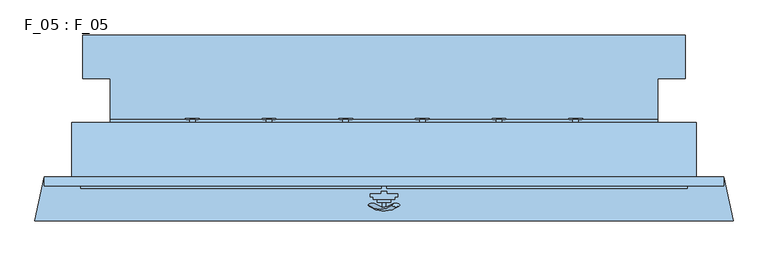
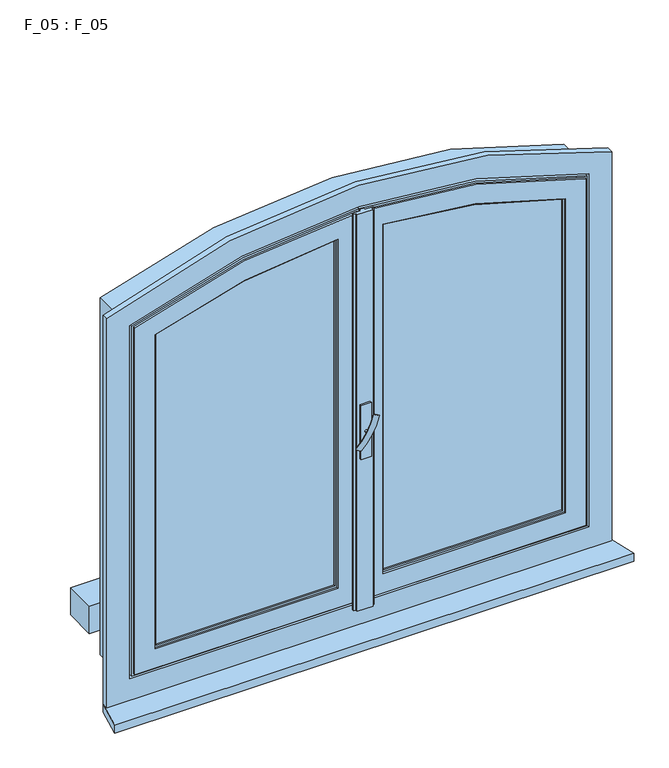
"""IFC4 building model written with IfcOpenShell, lengths in millimetres: window geometry, F_05 : F_05."""

import ifcopenshell
import ifcopenshell.guid

model = None  # the IFC model being written
_history = None  # IfcOwnerHistory: only IFC2X3 demands one
_inside = {}  # id of a spatial element -> (the spatial element, [elements in it])
_under = {}  # id of a project, library or spatial element -> (it, [spatial elements below it])
_declared = {}  # id of a project -> (the project, [libraries it declares])
_typed = {}  # id of a type object -> (the type object, [elements of that type])
_made_of = {}  # id of a material, layer set ... -> (it, [elements and type objects made of it])


def new_model(schema):
    """Start an empty IFC model of exactly this schema.

    Asked for "IFC4X3", IfcOpenShell would pick the latest addendum, in which some entities
    have other attributes; the version numbers below select the first issue.
    IFC2X3 requires an IfcOwnerHistory on every rooted entity: one is made here for all.
    """
    global model, _history
    if schema == "IFC4X3":
        model = ifcopenshell.file(schema_version=(4, 3, 0, 0))
    else:
        model = ifcopenshell.file(schema=schema)
    _inside.clear()
    _under.clear()
    _declared.clear()
    _typed.clear()
    _made_of.clear()
    _history = None
    if model.schema == "IFC2X3":
        org = make("IfcOrganization", Name="unknown")
        user = make(
            "IfcPersonAndOrganization",
            ThePerson=make("IfcPerson", FamilyName="unknown"),
            TheOrganization=org,
        )
        app = make(
            "IfcApplication",
            ApplicationDeveloper=org,
            Version="unknown",
            ApplicationFullName="unknown",
            ApplicationIdentifier="unknown",
        )
        _history = make(
            "IfcOwnerHistory",
            OwningUser=user,
            OwningApplication=app,
            ChangeAction="ADDED",
            CreationDate=0,
        )
    return model


def make(cls, **values):
    """One entity of the class cls with the attributes given. An attribute that is None is left unset."""
    return model.create_entity(
        cls, **{name: value for name, value in values.items() if value is not None}
    )


def rooted(cls, **values):
    """An entity with a GlobalId (a new one), such as an element, a storey or a relation."""
    return make(cls, GlobalId=ifcopenshell.guid.new(), OwnerHistory=_history, **values)


def si_unit(unit_type, name, prefix=None):
    """IfcSIUnit, for example si_unit("LENGTHUNIT", "METRE", prefix="MILLI")."""
    return make("IfcSIUnit", UnitType=unit_type, Prefix=prefix, Name=name)


def assignment(units):
    """IfcUnitAssignment: the units of a project."""
    return None if units is None else make("IfcUnitAssignment", Units=units)


def point(xyz):
    """IfcCartesianPoint."""
    return None if xyz is None else make("IfcCartesianPoint", Coordinates=xyz)


def direction(xyz):
    """IfcDirection."""
    return None if xyz is None else make("IfcDirection", DirectionRatios=xyz)


def frame(location, z_axis=None, x_axis=None):
    """IfcAxis2Placement3D, a coordinate frame: its origin and axes. An axis left out is left unset."""
    return make(
        "IfcAxis2Placement3D",
        Location=point(location),
        Axis=direction(z_axis),
        RefDirection=direction(x_axis),
    )


def frame_2d(location, x_axis=None):
    """IfcAxis2Placement2D, a coordinate frame in the plane: its origin and x axis."""
    return make(
        "IfcAxis2Placement2D", Location=point(location), RefDirection=direction(x_axis)
    )


def origin():
    """The frame at (0, 0, 0) with its axes left unset."""
    return frame((0.0, 0.0, 0.0))


def place(relative_to, where):
    """IfcLocalPlacement: puts the frame where relative to a parent placement (None: the world)."""
    return make(
        "IfcLocalPlacement", PlacementRelTo=relative_to, RelativePlacement=where
    )


def context(
    kind, dimensions, precision=None, world=None, true_north=None, identifier=None
):
    """IfcGeometricRepresentationContext, for example the 3D "Model" context."""
    return make(
        "IfcGeometricRepresentationContext",
        ContextIdentifier=identifier,
        ContextType=kind,
        CoordinateSpaceDimension=dimensions,
        Precision=precision,
        WorldCoordinateSystem=world,
        TrueNorth=true_north,
    )


def project(units=None, contexts=None):
    """IfcProject with its units and contexts."""
    return rooted(
        "IfcProject",
        Name="project",
        RepresentationContexts=contexts,
        UnitsInContext=assignment(units),
    )


def spatial(cls, under=None, at=None, **own):
    """A site, building, storey or space (cls), placed at a placement, below another one or the project."""
    s = rooted(cls, ObjectPlacement=at, **own)
    if under is not None:
        _under.setdefault(under.id(), (under, []))[1].append(s)
    return s


def polyline(points):
    """IfcPolyline through the points."""
    return make("IfcPolyline", Points=[point(p) for p in points])


def circle_curve(where, radius):
    """IfcCircle in the frame where."""
    return make("IfcCircle", Position=where, Radius=radius)


def ellipse_curve(where, semi_axis1, semi_axis2):
    """IfcEllipse in the frame where."""
    return make(
        "IfcEllipse", Position=where, SemiAxis1=semi_axis1, SemiAxis2=semi_axis2
    )


def trimmed(basis, trim1, trim2, sense, master):
    """IfcTrimmedCurve: the piece of a basis curve between two trims."""
    return make(
        "IfcTrimmedCurve",
        BasisCurve=basis,
        Trim1=trim1,
        Trim2=trim2,
        SenseAgreement=sense,
        MasterRepresentation=master,
    )


def segment(curve, same_sense, transition):
    """IfcCompositeCurveSegment."""
    return make(
        "IfcCompositeCurveSegment",
        Transition=transition,
        SameSense=same_sense,
        ParentCurve=curve,
    )


def composite_curve(segments, self_intersect=None):
    """IfcCompositeCurve: segments joined end to end."""
    return make("IfcCompositeCurve", Segments=segments, SelfIntersect=self_intersect)


def outline(outer, holes=None, kind="AREA"):
    """IfcArbitraryClosedProfileDef: a profile drawn as a closed curve; with holes, ...WithVoids."""
    if holes is None:
        return make("IfcArbitraryClosedProfileDef", ProfileType=kind, OuterCurve=outer)
    return make(
        "IfcArbitraryProfileDefWithVoids",
        ProfileType=kind,
        OuterCurve=outer,
        InnerCurves=holes,
    )


def extrude(swept, where, along, depth):
    """IfcExtrudedAreaSolid: the profile swept, set in the frame where, extruded along a direction by depth."""
    return make(
        "IfcExtrudedAreaSolid",
        SweptArea=swept,
        Position=where,
        ExtrudedDirection=direction(along),
        Depth=depth,
    )


def shape(context_of_items, identifier, shape_type, items):
    """IfcShapeRepresentation: the items that make up one representation, for example the "Body"."""
    return make(
        "IfcShapeRepresentation",
        ContextOfItems=context_of_items,
        RepresentationIdentifier=identifier,
        RepresentationType=shape_type,
        Items=items,
    )


def source(mapping_origin, context_of_items, identifier, shape_type, items):
    """IfcRepresentationMap: a shape defined once, which mapped items show again and again."""
    return make(
        "IfcRepresentationMap",
        MappingOrigin=mapping_origin,
        MappedRepresentation=shape(context_of_items, identifier, shape_type, items),
    )


def transform(
    local_origin,
    x_axis=None,
    y_axis=None,
    z_axis=None,
    scale=None,
    scale2=None,
    scale3=None,
    uniform=True,
):
    """IfcCartesianTransformationOperator3D, or its non-uniform kind. x_axis, y_axis, z_axis: its Axis1, 2, 3."""
    if uniform:
        return make(
            "IfcCartesianTransformationOperator3D",
            Axis1=direction(x_axis),
            Axis2=direction(y_axis),
            LocalOrigin=point(local_origin),
            Scale=scale,
            Axis3=direction(z_axis),
        )
    return make(
        "IfcCartesianTransformationOperator3DnonUniform",
        Axis1=direction(x_axis),
        Axis2=direction(y_axis),
        LocalOrigin=point(local_origin),
        Scale=scale,
        Axis3=direction(z_axis),
        Scale2=scale2,
        Scale3=scale3,
    )


def mapped(mapping_source, mapping_target):
    """IfcMappedItem: shows the shape of a source again, moved by a transform."""
    return make(
        "IfcMappedItem", MappingSource=mapping_source, MappingTarget=mapping_target
    )


def made_of(thing, what):
    """Note that an element or type object is made of a material, layer set ...; save() writes the relation."""
    if what is not None:
        _made_of.setdefault(what.id(), (what, []))[1].append(thing)
    return thing


def element(
    cls,
    number,
    at=None,
    inside=None,
    cuts=None,
    type_object=None,
    material=None,
    context=None,
    identifier="Body",
    shape_type=None,
    held_by="IfcProductDefinitionShape",
    body=None,
    shapes=None,
    **own,
):
    """One element of the class cls, such as IfcWall. Its Tag is "e" and its number.

    at: its placement. inside: the storey or other place that contains it. cuts: it is an
    opening in that element (IfcRelVoidsElement). A single representation is given by context,
    identifier, shape_type and body (its items); several are given by shapes. held_by: the class
    of the entity that holds the representations. save() writes the other relations.
    """
    e = rooted(cls, Tag="e%d" % number, ObjectPlacement=at, **own)
    if body is not None:
        shapes = [shape(context, identifier, shape_type, body)]
    if shapes is not None:
        e.Representation = make(held_by, Representations=shapes)
    if inside is not None:
        _inside.setdefault(inside.id(), (inside, []))[1].append(e)
    if cuts is not None:
        rooted(
            "IfcRelVoidsElement", RelatingBuildingElement=cuts, RelatedOpeningElement=e
        )
    if type_object is not None:
        _typed.setdefault(type_object.id(), (type_object, []))[1].append(e)
    return made_of(e, material)


def aggregate(whole, parts):
    """IfcRelAggregates: a whole, such as a stair, and the parts it consists of."""
    return rooted("IfcRelAggregates", RelatingObject=whole, RelatedObjects=parts)


def save(model, path):
    """Write the relations noted so far, then the file.

    IfcRelAggregates (storeys below a building ...), IfcRelContainedInSpatialStructure (elements
    in a storey), IfcRelDefinesByType, IfcRelAssociatesMaterial and IfcRelDeclares: one each for
    every whole, place, type object, material and project.
    """
    for whole, parts in _under.values():
        aggregate(whole, parts)
    for where, things in _inside.values():
        rooted(
            "IfcRelContainedInSpatialStructure",
            RelatedElements=things,
            RelatingStructure=where,
        )
    for kind, things in _typed.values():
        rooted("IfcRelDefinesByType", RelatedObjects=things, RelatingType=kind)
    for what, things in _made_of.values():
        rooted("IfcRelAssociatesMaterial", RelatedObjects=things, RelatingMaterial=what)
    for by, libraries in _declared.values():
        rooted("IfcRelDeclares", RelatingContext=by, RelatedDefinitions=libraries)
    model.write(path)


def plane_surface(at):
    """IfcPlane: the flat surface through the origin of the frame at, square to its z axis."""
    return make("IfcPlane", Position=at)


def cylinder_surface(at, radius):
    """IfcCylindricalSurface: all points at the distance radius from the z axis of the frame at."""
    return make("IfcCylindricalSurface", Position=at, Radius=radius)


def revolved_surface(curve, axis_point, axis_direction):
    """IfcSurfaceOfRevolution: the curve turned about the line through axis_point along axis_direction."""
    return make(
        "IfcSurfaceOfRevolution",
        SweptCurve=make("IfcArbitraryOpenProfileDef", ProfileType="CURVE", Curve=curve),
        AxisPosition=make("IfcAxis1Placement", Location=point(axis_point), Axis=direction(axis_direction)),
    )


def advanced_brep(points, edges, surfaces, faces):
    """IfcAdvancedBrep: a solid bounded by faces that lie on surfaces and meet in shared edges.

    An edge is (start, end): straight between two places in points (the first is 0);
    or (start, end, curve); or (start, end, curve, False) where it runs against its curve.
    A face is (place in surfaces, loops), or (place, loops, False) where it looks against
    its surface's normal. A loop lists edges by number (the first is 1), with a minus sign
    where the edge is run from its end to its start. The first loop is the outer one.
    """
    corners = [point(p) for p in points]
    vertices = [make("IfcVertexPoint", VertexGeometry=c) for c in corners]
    made = []
    for start, end, *more in edges:
        made.append(
            make(
                "IfcEdgeCurve",
                EdgeStart=vertices[start],
                EdgeEnd=vertices[end],
                EdgeGeometry=more[0] if more else make("IfcPolyline", Points=[corners[start], corners[end]]),
                SameSense=more[1] if len(more) > 1 else True,
            )
        )
    hull = []
    for where, loops, *sense in faces:
        bounds = []
        for j, loop in enumerate(loops):
            ring = [make("IfcOrientedEdge", EdgeElement=made[abs(k) - 1], Orientation=k > 0) for k in loop]
            bounds.append(
                make(
                    "IfcFaceOuterBound" if j == 0 else "IfcFaceBound",
                    Bound=make("IfcEdgeLoop", EdgeList=ring),
                    Orientation=True,
                )
            )
        hull.append(make("IfcAdvancedFace", Bounds=bounds, FaceSurface=surfaces[where], SameSense=sense[0] if sense else True))
    return make("IfcAdvancedBrep", Outer=make("IfcClosedShell", CfsFaces=hull))


def f_05_f_05_b8606e47(model_context):
    return source(origin(), model_context, "Body", "SolidModel", [
        advanced_brep(
        [(-28.5497704, 58.7712276, 1637.2483361), (-14.693364, 58.7712276, 1629.2483361), (14.693364, 58.7712276, 1712.147642), (28.5497704, 58.7712276, 1704.147642)],
        [
            (0, 1, ellipse_curve(frame((-21.6215672, 58.7712276, 1633.2483361), z_axis=(-0.46984631039295827, 0.3420201433256777, -0.8137976813493676), x_axis=(0.8660254037844349, 0.0, -0.5000000000000066)), 8.0, 3.5)),
            (1, 0, ellipse_curve(frame((-21.6215672, 58.7712276, 1633.2483361), z_axis=(-0.46984631039295827, 0.3420201433256777, -0.8137976813493676), x_axis=(0.8660254037844349, 0.0, -0.5000000000000066)), 8.0, 3.5)),
            (2, 3, ellipse_curve(frame((21.6215672, 58.7712276, 1708.147642), z_axis=(0.46984631039296154, 0.3420201433256599, 0.8137976813493732), x_axis=(0.8660254037844355, 0.0, -0.5000000000000056)), 8.0, 3.5)),
            (3, 2, ellipse_curve(frame((21.6215672, 58.7712276, 1708.147642), z_axis=(0.46984631039296154, 0.3420201433256599, 0.8137976813493732), x_axis=(0.8660254037844355, 0.0, -0.5000000000000056)), 8.0, 3.5)),
            (3, 1, circle_curve(frame((6.9282032, 177.580763, 1666.6979891), z_axis=(0.8660254037844353, 0.0, -0.500000000000006), x_axis=(-0.1710100716628409, -0.9396926207859051, -0.29619813272603046)), 126.4344667)),
            (0, 2, circle_curve(frame((-6.9282032, 177.580763, 1674.6979891), z_axis=(-0.8660254037844353, 0.0, 0.500000000000006), x_axis=(-0.1710100716628409, -0.9396926207859051, -0.29619813272603046)), 126.4344667)),
        ],
        [
            plane_surface(frame((40.0926994, 61.4528319, 1598.7446033), z_axis=(-0.4698463103929582, 0.34202014332567776, -0.8137976813493677), x_axis=(-0.8660254037844352, 0.0, 0.500000000000006))),
            plane_surface(frame((82.3598097, 61.4528319, 1671.9533858), z_axis=(0.4698463103929615, 0.34202014332565983, 0.8137976813493734), x_axis=(-0.8660254037844352, 0.0, 0.500000000000006))),
            revolved_surface(trimmed(ellipse_curve(frame((-21.6215672, 58.7712276, 1633.2483361), z_axis=(-0.46984631039295827, 0.3420201433256777, -0.8137976813493676), x_axis=(0.8660254037844349, 0.0, -0.5000000000000066)), 8.0, 3.5), [point((-28.5497704, 58.7712276, 1637.2483361))], [point((-14.693364, 58.7712276, 1629.2483361))], True, "CARTESIAN"), (61.2262546, 177.580763, 1635.3489945), (-0.8660254037844353, 0.0, 0.500000000000006)),
            revolved_surface(trimmed(ellipse_curve(frame((-21.6215672, 58.7712276, 1633.2483361), z_axis=(-0.46984631039295827, 0.3420201433256777, -0.8137976813493676), x_axis=(0.8660254037844349, 0.0, -0.5000000000000066)), 8.0, 3.5), [point((-14.693364, 58.7712276, 1629.2483361))], [point((-28.5497704, 58.7712276, 1637.2483361))], True, "CARTESIAN"), (61.2262546, 177.580763, 1635.3489945), (-0.8660254037844353, 0.0, 0.500000000000006)),
        ],
        [
            (0, [[1, 2]]),
            (1, [[3, 4]]),
            (2, [[5, -1, 6, -4]]),
            (3, [[-6, -2, -5, -3]]),
        ],
    ),
        extrude(outline(composite_curve([segment(trimmed(circle_curve(frame_2d((1670.6979891, 0.0)), 3.5), [point((1670.6979891, -3.5))], [point((1670.6979891, 3.5))], False, "CARTESIAN"), True, "CONTINUOUS"), segment(trimmed(circle_curve(frame_2d((1670.6979891, 0.0)), 3.5), [point((1670.6979891, 3.5))], [point((1670.6979891, -3.5))], False, "CARTESIAN"), True, "CONTINUOUS")], self_intersect=False)), frame((0.0, 54.0, 0.0), z_axis=(0.0, 1.0, 0.0), x_axis=(0.0, 0.0, 1.0)), (0.0, 0.0, 1.0), 10.0),
        extrude(outline(polyline([(12.5, 64.0), (-12.5, 64.0), (-12.5, 69.0), (12.5, 69.0), (12.5, 64.0)])), frame((0.0, 0.0, 1600.0), z_axis=(0.0, 0.0, 1.0), x_axis=(1.0, 0.0, 0.0)), (0.0, 0.0, 1.0), 140.0),
        extrude(outline(polyline([(500.0, 190.0), (-500.0, 190.0), (-500.0, 290.0), (-550.0, 290.0), (-550.0, 370.0), (550.0, 370.0), (550.0, 290.0), (500.0, 290.0), (500.0, 190.0)])), frame((0.0, 0.0, 1200.0), z_axis=(0.0, 0.0, 1.0), x_axis=(1.0, 0.0, 0.0)), (0.0, 0.0, 1.0), 71.0),
        extrude(outline(polyline([(-620.0, 110.0), (620.0, 110.0), (637.5, 30.0), (-637.5, 30.0), (-620.0, 110.0)])), frame((0.0, 0.0, 1130.0), z_axis=(0.0, 0.0, 1.0), x_axis=(1.0, 0.0, 0.0)), (0.0, 0.0, 1.0), 20.0),
        extrude(outline(composite_curve([segment(trimmed(circle_curve(frame_2d((1441.0, 350.0)), 12.5), [point((1441.0, 337.5))], [point((1441.0, 362.5))], False, "CARTESIAN"), True, "CONTINUOUS"), segment(trimmed(circle_curve(frame_2d((1441.0, 350.0)), 12.5), [point((1441.0, 362.5))], [point((1441.0, 337.5))], False, "CARTESIAN"), True, "CONTINUOUS")], self_intersect=False)), frame((0.0, 215.0, 0.0), z_axis=(0.0, 1.0, 0.0), x_axis=(0.0, 0.0, 1.0)), (0.0, 0.0, 1.0), 2.0),
        extrude(outline(composite_curve([segment(trimmed(circle_curve(frame_2d((1441.0, 210.0)), 12.5), [point((1441.0, 197.5))], [point((1441.0, 222.5))], False, "CARTESIAN"), True, "CONTINUOUS"), segment(trimmed(circle_curve(frame_2d((1441.0, 210.0)), 12.5), [point((1441.0, 222.5))], [point((1441.0, 197.5))], False, "CARTESIAN"), True, "CONTINUOUS")], self_intersect=False)), frame((0.0, 215.0, 0.0), z_axis=(0.0, 1.0, 0.0), x_axis=(0.0, 0.0, 1.0)), (0.0, 0.0, 1.0), 2.0),
        extrude(outline(composite_curve([segment(trimmed(circle_curve(frame_2d((1441.0, 70.0)), 12.5), [point((1441.0, 57.5))], [point((1441.0, 82.5))], False, "CARTESIAN"), True, "CONTINUOUS"), segment(trimmed(circle_curve(frame_2d((1441.0, 70.0)), 12.5), [point((1441.0, 82.5))], [point((1441.0, 57.5))], False, "CARTESIAN"), True, "CONTINUOUS")], self_intersect=False)), frame((0.0, 215.0, 0.0), z_axis=(0.0, 1.0, 0.0), x_axis=(0.0, 0.0, 1.0)), (0.0, 0.0, 1.0), 2.0),
        extrude(outline(composite_curve([segment(trimmed(circle_curve(frame_2d((1441.0, -70.0)), 12.5), [point((1441.0, -82.5))], [point((1441.0, -57.5))], False, "CARTESIAN"), True, "CONTINUOUS"), segment(trimmed(circle_curve(frame_2d((1441.0, -70.0)), 12.5), [point((1441.0, -57.5))], [point((1441.0, -82.5))], False, "CARTESIAN"), True, "CONTINUOUS")], self_intersect=False)), frame((0.0, 215.0, 0.0), z_axis=(0.0, 1.0, 0.0), x_axis=(0.0, 0.0, 1.0)), (0.0, 0.0, 1.0), 2.0),
        extrude(outline(composite_curve([segment(trimmed(circle_curve(frame_2d((1441.0, -210.0)), 12.5), [point((1441.0, -222.5))], [point((1441.0, -197.5))], False, "CARTESIAN"), True, "CONTINUOUS"), segment(trimmed(circle_curve(frame_2d((1441.0, -210.0)), 12.5), [point((1441.0, -197.5))], [point((1441.0, -222.5))], False, "CARTESIAN"), True, "CONTINUOUS")], self_intersect=False)), frame((0.0, 215.0, 0.0), z_axis=(0.0, 1.0, 0.0), x_axis=(0.0, 0.0, 1.0)), (0.0, 0.0, 1.0), 2.0),
        extrude(outline(composite_curve([segment(trimmed(circle_curve(frame_2d((1441.0, -350.0)), 12.5), [point((1441.0, -362.5))], [point((1441.0, -337.5))], False, "CARTESIAN"), True, "CONTINUOUS"), segment(trimmed(circle_curve(frame_2d((1441.0, -350.0)), 12.5), [point((1441.0, -337.5))], [point((1441.0, -362.5))], False, "CARTESIAN"), True, "CONTINUOUS")], self_intersect=False)), frame((0.0, 215.0, 0.0), z_axis=(0.0, 1.0, 0.0), x_axis=(0.0, 0.0, 1.0)), (0.0, 0.0, 1.0), 2.0),
        extrude(outline(composite_curve([segment(trimmed(circle_curve(frame_2d((1601.0, 350.0)), 12.5), [point((1601.0, 337.5))], [point((1601.0, 362.5))], False, "CARTESIAN"), True, "CONTINUOUS"), segment(trimmed(circle_curve(frame_2d((1601.0, 350.0)), 12.5), [point((1601.0, 362.5))], [point((1601.0, 337.5))], False, "CARTESIAN"), True, "CONTINUOUS")], self_intersect=False)), frame((0.0, 215.0, 0.0), z_axis=(0.0, 1.0, 0.0), x_axis=(0.0, 0.0, 1.0)), (0.0, 0.0, 1.0), 2.0),
        extrude(outline(composite_curve([segment(trimmed(circle_curve(frame_2d((1601.0, 210.0)), 12.5), [point((1601.0, 197.5))], [point((1601.0, 222.5))], False, "CARTESIAN"), True, "CONTINUOUS"), segment(trimmed(circle_curve(frame_2d((1601.0, 210.0)), 12.5), [point((1601.0, 222.5))], [point((1601.0, 197.5))], False, "CARTESIAN"), True, "CONTINUOUS")], self_intersect=False)), frame((0.0, 215.0, 0.0), z_axis=(0.0, 1.0, 0.0), x_axis=(0.0, 0.0, 1.0)), (0.0, 0.0, 1.0), 2.0),
        extrude(outline(composite_curve([segment(trimmed(circle_curve(frame_2d((1601.0, 70.0)), 12.5), [point((1601.0, 57.5))], [point((1601.0, 82.5))], False, "CARTESIAN"), True, "CONTINUOUS"), segment(trimmed(circle_curve(frame_2d((1601.0, 70.0)), 12.5), [point((1601.0, 82.5))], [point((1601.0, 57.5))], False, "CARTESIAN"), True, "CONTINUOUS")], self_intersect=False)), frame((0.0, 215.0, 0.0), z_axis=(0.0, 1.0, 0.0), x_axis=(0.0, 0.0, 1.0)), (0.0, 0.0, 1.0), 2.0),
        extrude(outline(composite_curve([segment(trimmed(circle_curve(frame_2d((1601.0, -70.0)), 12.5), [point((1601.0, -82.5))], [point((1601.0, -57.5))], False, "CARTESIAN"), True, "CONTINUOUS"), segment(trimmed(circle_curve(frame_2d((1601.0, -70.0)), 12.5), [point((1601.0, -57.5))], [point((1601.0, -82.5))], False, "CARTESIAN"), True, "CONTINUOUS")], self_intersect=False)), frame((0.0, 215.0, 0.0), z_axis=(0.0, 1.0, 0.0), x_axis=(0.0, 0.0, 1.0)), (0.0, 0.0, 1.0), 2.0),
        extrude(outline(composite_curve([segment(trimmed(circle_curve(frame_2d((1601.0, -210.0)), 12.5), [point((1601.0, -222.5))], [point((1601.0, -197.5))], False, "CARTESIAN"), True, "CONTINUOUS"), segment(trimmed(circle_curve(frame_2d((1601.0, -210.0)), 12.5), [point((1601.0, -197.5))], [point((1601.0, -222.5))], False, "CARTESIAN"), True, "CONTINUOUS")], self_intersect=False)), frame((0.0, 215.0, 0.0), z_axis=(0.0, 1.0, 0.0), x_axis=(0.0, 0.0, 1.0)), (0.0, 0.0, 1.0), 2.0),
        extrude(outline(composite_curve([segment(trimmed(circle_curve(frame_2d((1601.0, -350.0)), 12.5), [point((1601.0, -362.5))], [point((1601.0, -337.5))], False, "CARTESIAN"), True, "CONTINUOUS"), segment(trimmed(circle_curve(frame_2d((1601.0, -350.0)), 12.5), [point((1601.0, -337.5))], [point((1601.0, -362.5))], False, "CARTESIAN"), True, "CONTINUOUS")], self_intersect=False)), frame((0.0, 215.0, 0.0), z_axis=(0.0, 1.0, 0.0), x_axis=(0.0, 0.0, 1.0)), (0.0, 0.0, 1.0), 2.0),
        extrude(outline(composite_curve([segment(polyline([(1606.0, 65.0), (1606.0, -65.0), (2127.1303147, -65.0)]), True, "CONTINUOUS"), segment(trimmed(circle_curve(frame_2d((742.432857, 0.0)), 1386.2222222), [point((2127.1303147, -65.0))], [point((2126.6246968, -75.0))], False, "CARTESIAN"), True, "CONTINUOUS"), segment(polyline([(2126.6246968, -75.0), (1606.0, -75.0), (1606.0, -205.0), (2113.4131812, -205.0)]), True, "CONTINUOUS"), segment(trimmed(circle_curve(frame_2d((742.432857, 0.0)), 1386.2222222), [point((2113.4131812, -205.0))], [point((2111.8805739, -215.0))], False, "CARTESIAN"), True, "CONTINUOUS"), segment(polyline([(2111.8805739, -215.0), (1606.0, -215.0), (1606.0, -345.0), (2085.0374337, -345.0)]), True, "CONTINUOUS"), segment(trimmed(circle_curve(frame_2d((742.432857, 0.0)), 1386.2222222), [point((2085.0374337, -345.0))], [point((2082.4280247, -355.0))], False, "CARTESIAN"), True, "CONTINUOUS"), segment(polyline([(2082.4280247, -355.0), (1606.0, -355.0), (1606.0, -500.0), (1596.0, -500.0), (1596.0, -355.0), (1446.0, -355.0), (1446.0, -500.0), (1436.0, -500.0), (1436.0, -355.0), (1271.0, -355.0), (1271.0, -345.0), (1436.0, -345.0), (1436.0, -215.0), (1271.0, -215.0), (1271.0, -205.0), (1436.0, -205.0), (1436.0, -75.0), (1271.0, -75.0), (1271.0, -65.0), (1436.0, -65.0), (1436.0, 65.0), (1271.0, 65.0), (1271.0, 75.0), (1436.0, 75.0), (1436.0, 205.0), (1271.0, 205.0), (1271.0, 215.0), (1436.0, 215.0), (1436.0, 345.0), (1271.0, 345.0), (1271.0, 355.0), (1436.0, 355.0), (1436.0, 500.0), (1446.0, 500.0), (1446.0, 355.0), (1596.0, 355.0), (1596.0, 500.0), (1606.0, 500.0), (1606.0, 355.0), (2082.4280247, 355.0)]), True, "CONTINUOUS"), segment(trimmed(circle_curve(frame_2d((742.432857, 0.0)), 1386.2222222), [point((2082.4280247, 355.0))], [point((2085.0374337, 345.0))], False, "CARTESIAN"), True, "CONTINUOUS"), segment(polyline([(2085.0374337, 345.0), (1606.0, 345.0), (1606.0, 215.0), (2111.8805739, 215.0)]), True, "CONTINUOUS"), segment(trimmed(circle_curve(frame_2d((742.432857, 0.0)), 1386.2222222), [point((2111.8805739, 215.0))], [point((2113.4131812, 205.0))], False, "CARTESIAN"), True, "CONTINUOUS"), segment(polyline([(2113.4131812, 205.0), (1606.0, 205.0), (1606.0, 75.0), (2126.6246968, 75.0)]), True, "CONTINUOUS"), segment(trimmed(circle_curve(frame_2d((742.432857, 0.0)), 1386.2222222), [point((2126.6246968, 75.0))], [point((2127.1303147, 65.0))], False, "CARTESIAN"), True, "CONTINUOUS"), segment(polyline([(2127.1303147, 65.0), (1606.0, 65.0)]), True, "CONTINUOUS")], self_intersect=False), holes=[polyline([(1446.0, 345.0), (1446.0, 215.0), (1596.0, 215.0), (1596.0, 345.0), (1446.0, 345.0)]), polyline([(1446.0, 205.0), (1446.0, 75.0), (1596.0, 75.0), (1596.0, 205.0), (1446.0, 205.0)]), polyline([(1446.0, 65.0), (1446.0, -65.0), (1596.0, -65.0), (1596.0, 65.0), (1446.0, 65.0)]), polyline([(1596.0, -75.0), (1446.0, -75.0), (1446.0, -205.0), (1596.0, -205.0), (1596.0, -75.0)]), polyline([(1446.0, -215.0), (1446.0, -345.0), (1596.0, -345.0), (1596.0, -215.0), (1446.0, -215.0)])]), frame((0.0, 210.0, 0.0), z_axis=(0.0, 1.0, 0.0), x_axis=(0.0, 0.0, 1.0)), (0.0, 0.0, 1.0), 5.0),
        extrude(outline(composite_curve([segment(polyline([(2070.2535211, -550.0), (1220.0, -550.0), (1220.0, 550.0), (2070.2535211, 550.0)]), True, "CONTINUOUS"), segment(trimmed(circle_curve(frame_2d((742.432857, 0.0)), 1437.2222222), [point((2070.2535211, 550.0))], [point((2070.2535211, -550.0))], False, "CARTESIAN"), True, "CONTINUOUS")], self_intersect=False), holes=[composite_curve([segment(trimmed(circle_curve(frame_2d((742.432857, 0.0)), 1387.2222222), [point((2036.4133413, -500.0))], [point((2036.4133413, 500.0))], True, "CARTESIAN"), True, "CONTINUOUS"), segment(polyline([(2036.4133413, 500.0), (1271.0, 500.0), (1271.0, -500.0), (2036.4133413, -500.0)]), True, "CONTINUOUS")], self_intersect=False)]), frame((0.0, 194.0, 0.0), z_axis=(0.0, 1.0, 0.0), x_axis=(0.0, 0.0, 1.0)), (0.0, 0.0, 1.0), 16.0),
        extrude(outline(composite_curve([segment(polyline([(1271.0, 60.0), (1271.0, 499.0), (2078.5125055, 499.0)]), True, "CONTINUOUS"), segment(trimmed(circle_curve(frame_2d((742.432857, 0.0)), 1426.2222222), [point((2078.5125055, 499.0))], [point((2167.3924449, 60.0))], False, "CARTESIAN"), True, "CONTINUOUS"), segment(polyline([(2167.3924449, 60.0), (1271.0, 60.0)]), True, "CONTINUOUS")], self_intersect=False)), frame((0.0, 98.0, 0.0), z_axis=(0.0, 1.0, 0.0), x_axis=(0.0, 0.0, 1.0)), (0.0, 0.0, 1.0), 6.0),
        extrude(outline(composite_curve([segment(trimmed(circle_curve(frame_2d((742.432857, 0.0)), 1426.2222222), [point((2167.3924449, -60.0))], [point((2078.5125055, -499.0))], False, "CARTESIAN"), True, "CONTINUOUS"), segment(polyline([(2078.5125055, -499.0), (1271.0, -499.0), (1271.0, -60.0), (2167.3924449, -60.0)]), True, "CONTINUOUS")], self_intersect=False)), frame((0.0, 98.0, 0.0), z_axis=(0.0, 1.0, 0.0), x_axis=(0.0, 0.0, 1.0)), (0.0, 0.0, 1.0), 6.0),
        extrude(outline(polyline([(5.0, 84.0), (5.0, 79.0), (25.0, 79.0), (25.0, 74.0), (20.0, 74.0), (20.0, 69.0), (-20.0, 69.0), (-20.0, 74.0), (-25.0, 74.0), (-25.0, 79.0), (-5.0, 79.0), (-5.0, 84.0), (5.0, 84.0)])), frame((0.0, 0.0, 1206.0), z_axis=(0.0, 0.0, 1.0), x_axis=(1.0, 0.0, 0.0)), (0.0, 0.0, 1.0), 1029.0),
        advanced_brep(
        [(60.0, 110.0, 2167.3924449), (60.0, 94.0, 2167.3924449), (60.0, 94.0, 1271.0), (60.0, 110.0, 1271.0), (499.0, 94.0, 1271.0), (499.0, 110.0, 1271.0), (55.0, 94.0, 1266.0), (504.0, 94.0, 1266.0), (504.0, 94.0, 2081.9779475), (55.0, 94.0, 2172.5978997), (499.0, 94.0, 2078.5125055), (499.0, 110.0, 2078.5125055), (0.0, 110.0, 1211.0), (0.0, 110.0, 2228.6550792), (559.0, 110.0, 2119.522358), (559.0, 110.0, 1211.0), (55.0, 89.0, 2172.5978997), (55.0, 89.0, 1266.0), (504.0, 89.0, 1266.0), (5.0, 89.0, 1216.0), (554.0, 89.0, 1216.0), (554.0, 89.0, 2116.1516316), (5.0, 89.0, 2223.6466402), (504.0, 89.0, 2081.9779475), (5.0, 94.0, 2223.6466402), (5.0, 94.0, 1216.0), (554.0, 94.0, 1216.0), (0.0, 94.0, 1211.0), (559.0, 94.0, 1211.0), (559.0, 94.0, 2119.522358), (0.0, 94.0, 2228.6550792), (554.0, 94.0, 2116.1516316)],
        [
            (0, 1),
            (1, 2),
            (2, 3),
            (3, 0),
            (2, 4),
            (4, 5),
            (5, 3),
            (6, 7),
            (7, 8),
            (8, 9, circle_curve(frame((0.0, 94.0, 742.432857), z_axis=(0.0, -1.0, 0.0), x_axis=(0.3782132478950905, 0.0, 0.9257184988519171)), 1431.2222222)),
            (9, 6),
            (1, 10, circle_curve(frame((0.0, 94.0, 742.432857), z_axis=(0.0, 1.0, 0.0), x_axis=(0.3782132478950905, 0.0, 0.9257184988519171)), 1426.2222222)),
            (10, 4),
            (10, 11),
            (11, 5),
            (12, 13),
            (13, 14, circle_curve(frame((0.0, 110.0, 742.432857), z_axis=(0.0, 1.0, 0.0), x_axis=(0.3782132478950905, 0.0, 0.9257184988519171)), 1486.2222222)),
            (14, 15),
            (15, 12),
            (11, 0, circle_curve(frame((0.0, 110.0, 742.432857), z_axis=(0.0, -1.0, 0.0), x_axis=(0.3782132478950905, 0.0, 0.9257184988519171)), 1426.2222222)),
            (9, 16),
            (16, 17),
            (17, 6),
            (17, 18),
            (18, 7),
            (19, 20),
            (20, 21),
            (21, 22, circle_curve(frame((0.0, 89.0, 742.432857), z_axis=(0.0, -1.0, 0.0), x_axis=(0.3782132478950905, 0.0, 0.9257184988519171)), 1481.2222222)),
            (22, 19),
            (16, 23, circle_curve(frame((0.0, 89.0, 742.432857), z_axis=(0.0, 1.0, 0.0), x_axis=(0.3782132478950905, 0.0, 0.9257184988519171)), 1431.2222222)),
            (23, 18),
            (23, 8),
            (22, 24),
            (24, 25),
            (25, 19),
            (25, 26),
            (26, 20),
            (27, 28),
            (28, 29),
            (29, 30, circle_curve(frame((0.0, 94.0, 742.432857), z_axis=(0.0, -1.0, 0.0), x_axis=(0.3782132478950905, 0.0, 0.9257184988519171)), 1486.2222222)),
            (30, 27),
            (24, 31, circle_curve(frame((0.0, 94.0, 742.432857), z_axis=(0.0, 1.0, 0.0), x_axis=(0.3782132478950905, 0.0, 0.9257184988519171)), 1481.2222222)),
            (31, 26),
            (31, 21),
            (30, 13),
            (12, 27),
            (15, 28),
            (14, 29),
        ],
        [
            plane_surface(frame((60.0, 94.0, 2167.3924449), z_axis=(1.0, 0.0, 0.0), x_axis=(0.0, 0.0, -1.0))),
            plane_surface(frame((60.0, 94.0, 1271.0), z_axis=(0.0, 0.0, 1.0), x_axis=(1.0, 0.0, 0.0))),
            plane_surface(frame((55.0, 94.0, 2172.5978997), z_axis=(0.0, -1.0, 0.0), x_axis=(0.0, 0.0, -1.0))),
            plane_surface(frame((499.0, 94.0, 1271.0), z_axis=(-1.0, 0.0, 0.0), x_axis=(0.0, 0.0, 1.0))),
            plane_surface(frame((60.0, 110.0, 2167.3924449), z_axis=(0.0, 1.0, 0.0), x_axis=(0.0, 0.0, -1.0))),
            plane_surface(frame((55.0, 89.0, 2172.5978997), z_axis=(1.0, 0.0, 0.0), x_axis=(0.0, 0.0, -1.0))),
            plane_surface(frame((55.0, 89.0, 1266.0), z_axis=(0.0, 0.0, 1.0), x_axis=(1.0, 0.0, 0.0))),
            plane_surface(frame((5.0, 89.0, 2223.6466402), z_axis=(0.0, -1.0, 0.0), x_axis=(0.0, 0.0, -1.0))),
            plane_surface(frame((504.0, 89.0, 1266.0), z_axis=(-1.0, 0.0, 0.0), x_axis=(0.0, 0.0, 1.0))),
            plane_surface(frame((5.0, 94.0, 2223.6466402), z_axis=(-1.0, 0.0, 0.0), x_axis=(0.0, 0.0, -1.0))),
            plane_surface(frame((5.0, 94.0, 1216.0), z_axis=(0.0, 0.0, -1.0), x_axis=(1.0, 0.0, 0.0))),
            plane_surface(frame((0.0, 94.0, 2228.6550792), z_axis=(0.0, -1.0, 0.0), x_axis=(0.0, 0.0, -1.0))),
            plane_surface(frame((554.0, 94.0, 1216.0), z_axis=(1.0, 0.0, 0.0), x_axis=(0.0, 0.0, 1.0))),
            plane_surface(frame((0.0, 110.0, 2228.6550792), z_axis=(-1.0, 0.0, 0.0), x_axis=(0.0, 0.0, -1.0))),
            plane_surface(frame((0.0, 110.0, 1211.0), z_axis=(0.0, 0.0, -1.0), x_axis=(1.0, 0.0, 0.0))),
            plane_surface(frame((559.0, 110.0, 1211.0), z_axis=(1.0, 0.0, 0.0), x_axis=(0.0, 0.0, 1.0))),
            revolved_surface(polyline([(539.4161388784154, 94.0, 2062.7131515642295), (539.4161388784154, 110.0, 2062.7131515642295)]), (0.0, -290.0, 742.432857), (0.0, -1.0, 0.0)),
            revolved_surface(polyline([(541.3072051178909, 89.0, 2067.341744058489), (541.3072051178909, 94.0, 2067.341744058489)]), (0.0, -290.0, 742.432857), (0.0, -1.0, 0.0)),
            cylinder_surface(frame((0.0, -290.0, 742.432857), z_axis=(0.0, -1.0, 0.0), x_axis=(0.3782132478950905, 0.0, 0.9257184988519171)), 1481.2222222),
            cylinder_surface(frame((0.0, -290.0, 742.432857), z_axis=(0.0, -1.0, 0.0), x_axis=(0.3782132478950905, 0.0, 0.9257184988519171)), 1486.2222222),
        ],
        [
            (0, [[1, 2, 3, 4]]),
            (1, [[-3, 5, 6, 7]]),
            (2, [[8, 9, 10, 11], [-2, 12, 13, -5]]),
            (3, [[-6, -13, 14, 15]]),
            (4, [[16, 17, 18, 19], [-7, -15, 20, -4]]),
            (5, [[21, 22, 23, -11]]),
            (6, [[-23, 24, 25, -8]]),
            (7, [[26, 27, 28, 29], [-22, 30, 31, -24]]),
            (8, [[-25, -31, 32, -9]]),
            (9, [[33, 34, 35, -29]]),
            (10, [[-35, 36, 37, -26]]),
            (11, [[38, 39, 40, 41], [-34, 42, 43, -36]]),
            (12, [[-37, -43, 44, -27]]),
            (13, [[45, -16, 46, -41]]),
            (14, [[-46, -19, 47, -38]]),
            (15, [[-47, -18, 48, -39]]),
            (16, [[-20, -14, -12, -1]]),
            (17, [[-10, -32, -30, -21]]),
            (18, [[-28, -44, -42, -33]]),
            (19, [[-40, -48, -17, -45]]),
        ],
    ),
        advanced_brep(
        [(-60.0, 94.0, 2167.3924449), (-60.0, 110.0, 2167.3924449), (-60.0, 110.0, 1271.0), (-60.0, 94.0, 1271.0), (-499.0, 110.0, 1271.0), (-499.0, 94.0, 1271.0), (0.0, 110.0, 1211.0), (-559.0, 110.0, 1211.0), (-559.0, 110.0, 2119.522358), (0.0, 110.0, 2228.6550792), (-499.0, 110.0, 2078.5125055), (-499.0, 94.0, 2078.5125055), (-55.0, 94.0, 1266.0), (-55.0, 94.0, 2172.5978997), (-504.0, 94.0, 2081.9779475), (-504.0, 94.0, 1266.0), (-55.0, 89.0, 2172.5978997), (-55.0, 89.0, 1266.0), (-504.0, 89.0, 1266.0), (-504.0, 89.0, 2081.9779475), (-5.0, 89.0, 1216.0), (-5.0, 89.0, 2223.6466402), (-554.0, 89.0, 2116.1516316), (-554.0, 89.0, 1216.0), (-5.0, 94.0, 2223.6466402), (-5.0, 94.0, 1216.0), (-554.0, 94.0, 1216.0), (-554.0, 94.0, 2116.1516316), (0.0, 94.0, 1211.0), (0.0, 94.0, 2228.6550792), (-559.0, 94.0, 2119.522358), (-559.0, 94.0, 1211.0)],
        [
            (0, 1),
            (1, 2),
            (2, 3),
            (3, 0),
            (2, 4),
            (4, 5),
            (5, 3),
            (6, 7),
            (7, 8),
            (8, 9, circle_curve(frame((0.0, 110.0, 742.432857), z_axis=(0.0, 1.0, 0.0), x_axis=(-0.3782132478950875, 0.0, 0.9257184988519184)), 1486.2222222)),
            (9, 6),
            (1, 10, circle_curve(frame((0.0, 110.0, 742.432857), z_axis=(0.0, -1.0, 0.0), x_axis=(-0.3782132478950875, 0.0, 0.9257184988519184)), 1426.2222222)),
            (10, 4),
            (10, 11),
            (11, 5),
            (12, 13),
            (13, 14, circle_curve(frame((0.0, 94.0, 742.432857), z_axis=(0.0, -1.0, 0.0), x_axis=(-0.3782132478950875, 0.0, 0.9257184988519184)), 1431.2222222)),
            (14, 15),
            (15, 12),
            (11, 0, circle_curve(frame((0.0, 94.0, 742.432857), z_axis=(0.0, 1.0, 0.0), x_axis=(-0.3782132478950875, 0.0, 0.9257184988519184)), 1426.2222222)),
            (16, 13),
            (12, 17),
            (17, 16),
            (15, 18),
            (18, 17),
            (14, 19),
            (19, 18),
            (20, 21),
            (21, 22, circle_curve(frame((0.0, 89.0, 742.432857), z_axis=(0.0, -1.0, 0.0), x_axis=(-0.3782132478950875, 0.0, 0.9257184988519184)), 1481.2222222)),
            (22, 23),
            (23, 20),
            (19, 16, circle_curve(frame((0.0, 89.0, 742.432857), z_axis=(0.0, 1.0, 0.0), x_axis=(-0.3782132478950875, 0.0, 0.9257184988519184)), 1431.2222222)),
            (24, 21),
            (20, 25),
            (25, 24),
            (23, 26),
            (26, 25),
            (22, 27),
            (27, 26),
            (28, 29),
            (29, 30, circle_curve(frame((0.0, 94.0, 742.432857), z_axis=(0.0, -1.0, 0.0), x_axis=(-0.3782132478950875, 0.0, 0.9257184988519184)), 1486.2222222)),
            (30, 31),
            (31, 28),
            (27, 24, circle_curve(frame((0.0, 94.0, 742.432857), z_axis=(0.0, 1.0, 0.0), x_axis=(-0.3782132478950875, 0.0, 0.9257184988519184)), 1481.2222222)),
            (9, 29),
            (28, 6),
            (31, 7),
            (30, 8),
        ],
        [
            plane_surface(frame((-60.0, 110.0, 2167.3924449), z_axis=(-1.0, 0.0, 0.0), x_axis=(0.0, 0.0, -1.0))),
            plane_surface(frame((-60.0, 110.0, 1271.0), z_axis=(0.0, 0.0, 1.0), x_axis=(-1.0, 0.0, 0.0))),
            plane_surface(frame((0.0, 110.0, 2228.6550792), z_axis=(0.0, 1.0, 0.0), x_axis=(0.0, 0.0, -1.0))),
            plane_surface(frame((-499.0, 110.0, 1271.0), z_axis=(1.0, 0.0, 0.0), x_axis=(0.0, 0.0, 1.0))),
            plane_surface(frame((-60.0, 94.0, 2167.3924449), z_axis=(0.0, -1.0, 0.0), x_axis=(0.0, 0.0, -1.0))),
            plane_surface(frame((-55.0, 94.0, 2172.5978997), z_axis=(-1.0, 0.0, 0.0), x_axis=(0.0, 0.0, -1.0))),
            plane_surface(frame((-55.0, 94.0, 1266.0), z_axis=(0.0, 0.0, 1.0), x_axis=(-1.0, 0.0, 0.0))),
            plane_surface(frame((-504.0, 94.0, 1266.0), z_axis=(1.0, 0.0, 0.0), x_axis=(0.0, 0.0, 1.0))),
            plane_surface(frame((-55.0, 89.0, 2172.5978997), z_axis=(0.0, -1.0, 0.0), x_axis=(0.0, 0.0, -1.0))),
            plane_surface(frame((-5.0, 89.0, 2223.6466402), z_axis=(1.0, 0.0, 0.0), x_axis=(0.0, 0.0, -1.0))),
            plane_surface(frame((-5.0, 89.0, 1216.0), z_axis=(0.0, 0.0, -1.0), x_axis=(-1.0, 0.0, 0.0))),
            plane_surface(frame((-554.0, 89.0, 1216.0), z_axis=(-1.0, 0.0, 0.0), x_axis=(0.0, 0.0, 1.0))),
            plane_surface(frame((-5.0, 94.0, 2223.6466402), z_axis=(0.0, -1.0, 0.0), x_axis=(0.0, 0.0, -1.0))),
            plane_surface(frame((0.0, 94.0, 2228.6550792), z_axis=(1.0, 0.0, 0.0), x_axis=(0.0, 0.0, -1.0))),
            plane_surface(frame((0.0, 94.0, 1211.0), z_axis=(0.0, 0.0, -1.0), x_axis=(-1.0, 0.0, 0.0))),
            plane_surface(frame((-559.0, 94.0, 1211.0), z_axis=(-1.0, 0.0, 0.0), x_axis=(0.0, 0.0, 1.0))),
            revolved_surface(polyline([(-539.4161388784112, 110.0, 2062.7131515642313), (-539.4161388784112, 94.0, 2062.7131515642313)]), (0.0, -290.0, 742.432857), (0.0, 1.0, 0.0)),
            revolved_surface(polyline([(-541.3072051178866, 94.0, 2067.341744058491), (-541.3072051178866, 89.0, 2067.341744058491)]), (0.0, -290.0, 742.432857), (0.0, 1.0, 0.0)),
            cylinder_surface(frame((0.0, -290.0, 742.432857), z_axis=(0.0, 1.0, 0.0), x_axis=(-0.3782132478950875, 0.0, 0.9257184988519184)), 1481.2222222),
            cylinder_surface(frame((0.0, -290.0, 742.432857), z_axis=(0.0, 1.0, 0.0), x_axis=(-0.3782132478950875, 0.0, 0.9257184988519184)), 1486.2222222),
        ],
        [
            (0, [[1, 2, 3, 4]]),
            (1, [[-3, 5, 6, 7]]),
            (2, [[8, 9, 10, 11], [-2, 12, 13, -5]]),
            (3, [[-6, -13, 14, 15]]),
            (4, [[16, 17, 18, 19], [-7, -15, 20, -4]]),
            (5, [[21, -16, 22, 23]]),
            (6, [[-22, -19, 24, 25]]),
            (7, [[-24, -18, 26, 27]]),
            (8, [[28, 29, 30, 31], [-25, -27, 32, -23]]),
            (9, [[33, -28, 34, 35]]),
            (10, [[-34, -31, 36, 37]]),
            (11, [[-36, -30, 38, 39]]),
            (12, [[40, 41, 42, 43], [-37, -39, 44, -35]]),
            (13, [[45, -40, 46, -11]]),
            (14, [[-46, -43, 47, -8]]),
            (15, [[-47, -42, 48, -9]]),
            (16, [[-20, -14, -12, -1]]),
            (17, [[-32, -26, -17, -21]]),
            (18, [[-44, -38, -29, -33]]),
            (19, [[-10, -48, -41, -45]]),
        ],
    ),
        advanced_brep(
        [(-620.0, 94.0, 2160.0), (-620.0, 94.0, 1150.0), (620.0, 94.0, 1150.0), (620.0, 94.0, 2160.0), (564.0, 94.0, 2122.884854), (564.0, 94.0, 1206.0), (-564.0, 94.0, 1206.0), (-564.0, 94.0, 2122.884854), (-620.0, 110.0, 2160.0), (-620.0, 110.0, 1150.0), (620.0, 110.0, 1150.0), (620.0, 110.0, 2160.0), (564.0, 110.0, 2122.884854), (564.0, 110.0, 1206.0), (-564.0, 110.0, 1206.0), (-564.0, 110.0, 2122.884854), (-570.0, 110.0, 2126.9090694), (-570.0, 110.0, 1200.0), (570.0, 110.0, 1200.0), (570.0, 110.0, 2126.9090694), (-570.0, 210.0, 2126.9090694), (-570.0, 210.0, 1200.0), (570.0, 210.0, 1200.0), (570.0, 210.0, 2126.9090694), (-554.0, 110.0, 2116.1516316), (554.0, 110.0, 2116.1516316), (554.0, 110.0, 1216.0), (-554.0, 110.0, 1216.0), (554.0, 210.0, 2116.1516316), (554.0, 210.0, 1216.0), (-554.0, 210.0, 1216.0), (-554.0, 210.0, 2116.1516316)],
        [
            (0, 1),
            (1, 2),
            (2, 3),
            (3, 0, circle_curve(frame((0.0, 94.0, 742.432857), z_axis=(0.0, -1.0, 0.0), x_axis=(1.0, 0.0, 0.0)), 1547.2222222)),
            (4, 5),
            (5, 6),
            (6, 7),
            (7, 4, circle_curve(frame((0.0, 94.0, 742.432857), z_axis=(0.0, 1.0, 0.0), x_axis=(1.0, 0.0, 0.0)), 1491.2222222)),
            (0, 8),
            (8, 9),
            (9, 1),
            (9, 10),
            (10, 2),
            (10, 11),
            (11, 3),
            (4, 12),
            (12, 13),
            (13, 5),
            (13, 14),
            (14, 6),
            (14, 15),
            (15, 7),
            (8, 11, circle_curve(frame((0.0, 110.0, 742.432857), z_axis=(0.0, 1.0, 0.0), x_axis=(1.0, 0.0, 0.0)), 1547.2222222)),
            (16, 17),
            (17, 18),
            (18, 19),
            (19, 16, circle_curve(frame((0.0, 110.0, 742.432857), z_axis=(0.0, -1.0, 0.0), x_axis=(1.0, 0.0, 0.0)), 1497.2222222)),
            (20, 21),
            (21, 17),
            (16, 20),
            (21, 22),
            (22, 18),
            (22, 23),
            (23, 19),
            (12, 15, circle_curve(frame((0.0, 110.0, 742.432857), z_axis=(0.0, -1.0, 0.0), x_axis=(1.0, 0.0, 0.0)), 1491.2222222)),
            (24, 25, circle_curve(frame((0.0, 110.0, 742.432857), z_axis=(0.0, 1.0, 0.0), x_axis=(1.0, 0.0, 0.0)), 1481.2222222)),
            (25, 26),
            (26, 27),
            (27, 24),
            (25, 28),
            (28, 29),
            (29, 26),
            (29, 30),
            (30, 27),
            (30, 31),
            (31, 24),
            (20, 23, circle_curve(frame((0.0, 210.0, 742.432857), z_axis=(0.0, 1.0, 0.0), x_axis=(1.0, 0.0, 0.0)), 1497.2222222)),
            (28, 31, circle_curve(frame((0.0, 210.0, 742.432857), z_axis=(0.0, -1.0, 0.0), x_axis=(1.0, 0.0, 0.0)), 1481.2222222)),
        ],
        [
            plane_surface(frame((-620.0, 94.0, 2160.0), z_axis=(0.0, -1.0, 0.0), x_axis=(0.0, 0.0, -1.0))),
            plane_surface(frame((-620.0, 94.0, 2160.0), z_axis=(-1.0, 0.0, 0.0), x_axis=(0.0, 1.0, 0.0))),
            plane_surface(frame((-620.0, 94.0, 1150.0), z_axis=(0.0, 0.0, -1.0), x_axis=(0.0, 1.0, 0.0))),
            plane_surface(frame((620.0, 94.0, 1150.0), z_axis=(1.0, 0.0, 0.0), x_axis=(0.0, 1.0, 0.0))),
            plane_surface(frame((564.0, 94.0, 2122.884854), z_axis=(-1.0, 0.0, 0.0), x_axis=(0.0, 1.0, 0.0))),
            plane_surface(frame((564.0, 94.0, 1206.0), z_axis=(0.0, 0.0, 1.0), x_axis=(0.0, 1.0, 0.0))),
            plane_surface(frame((-564.0, 94.0, 1206.0), z_axis=(1.0, 0.0, 0.0), x_axis=(0.0, 1.0, 0.0))),
            plane_surface(frame((-620.0, 110.0, 2160.0), z_axis=(0.0, 1.0, 0.0), x_axis=(0.0, 0.0, 1.0))),
            plane_surface(frame((-570.0, 110.0, 2126.9090694), z_axis=(-1.0, 0.0, 0.0), x_axis=(0.0, 1.0, 0.0))),
            plane_surface(frame((-570.0, 110.0, 1200.0), z_axis=(0.0, 0.0, -1.0), x_axis=(0.0, 1.0, 0.0))),
            plane_surface(frame((570.0, 110.0, 1200.0), z_axis=(1.0, 0.0, 0.0), x_axis=(0.0, 1.0, 0.0))),
            plane_surface(frame((-570.0, 110.0, 2126.9090694), z_axis=(0.0, -1.0, 0.0), x_axis=(0.0, 0.0, -1.0))),
            plane_surface(frame((554.0, 110.0, 2116.1516316), z_axis=(-1.0, 0.0, 0.0), x_axis=(0.0, 1.0, 0.0))),
            plane_surface(frame((554.0, 110.0, 1216.0), z_axis=(0.0, 0.0, 1.0), x_axis=(0.0, 1.0, 0.0))),
            plane_surface(frame((-554.0, 110.0, 1216.0), z_axis=(1.0, 0.0, 0.0), x_axis=(0.0, 1.0, 0.0))),
            plane_surface(frame((-570.0, 210.0, 2126.9090694), z_axis=(0.0, 1.0, 0.0), x_axis=(0.0, 0.0, 1.0))),
            cylinder_surface(frame((0.0, 110.0, 742.432857), z_axis=(0.0, -1.0, 0.0), x_axis=(1.0, 0.0, 0.0)), 1547.2222222),
            cylinder_surface(frame((0.0, 210.0, 742.432857), z_axis=(0.0, -1.0, 0.0), x_axis=(1.0, 0.0, 0.0)), 1497.2222222),
            revolved_surface(polyline([(1481.2222222, 210.0, 742.432857), (1481.2222222, 110.0, 742.432857)]), (0.0, -290.0, 742.432857), (0.0, 1.0, 0.0)),
            revolved_surface(polyline([(1491.2222222, 110.0, 742.432857), (1491.2222222, 94.0, 742.432857)]), (0.0, -290.0, 742.432857), (0.0, 1.0, 0.0)),
        ],
        [
            (0, [[1, 2, 3, 4], [5, 6, 7, 8]]),
            (1, [[-1, 9, 10, 11]]),
            (2, [[-2, -11, 12, 13]]),
            (3, [[-3, -13, 14, 15]]),
            (4, [[-5, 16, 17, 18]]),
            (5, [[-6, -18, 19, 20]]),
            (6, [[-7, -20, 21, 22]]),
            (7, [[23, -14, -12, -10], [24, 25, 26, 27]]),
            (8, [[28, 29, -24, 30]]),
            (9, [[31, 32, -25, -29]]),
            (10, [[33, 34, -26, -32]]),
            (11, [[-17, 35, -21, -19], [36, 37, 38, 39]]),
            (12, [[-37, 40, 41, 42]]),
            (13, [[-38, -42, 43, 44]]),
            (14, [[-39, -44, 45, 46]]),
            (15, [[47, -33, -31, -28], [-45, -43, -41, 48]]),
            (16, [[-4, -15, -23, -9]]),
            (17, [[-47, -30, -27, -34]]),
            (18, [[-36, -46, -48, -40]]),
            (19, [[-8, -22, -35, -16]]),
        ],
    ),
    ])


if __name__ == "__main__":
    model = new_model("IFC4")
    model_context = context("Model", 3, world=origin())
    ifc_project = project(units=[si_unit("LENGTHUNIT", "METRE", prefix="MILLI")], contexts=[model_context])
    site = spatial("IfcSite", under=ifc_project)
    building = spatial("IfcBuilding", under=site)
    placement = place(None, origin())
    f_05_f_05_shape = f_05_f_05_b8606e47(model_context)
    element("IfcWindow", 1, ObjectType="F_05 : F_05", at=placement, inside=building, context=model_context, shape_type="MappedRepresentation", body=[
        mapped(f_05_f_05_shape, transform((0.0, 0.0, 0.0), x_axis=(1.0, 0.0, 0.0), y_axis=(0.0, 1.0, 0.0), z_axis=(0.0, 0.0, 1.0))),
    ])
    save(model, "model.ifc")
